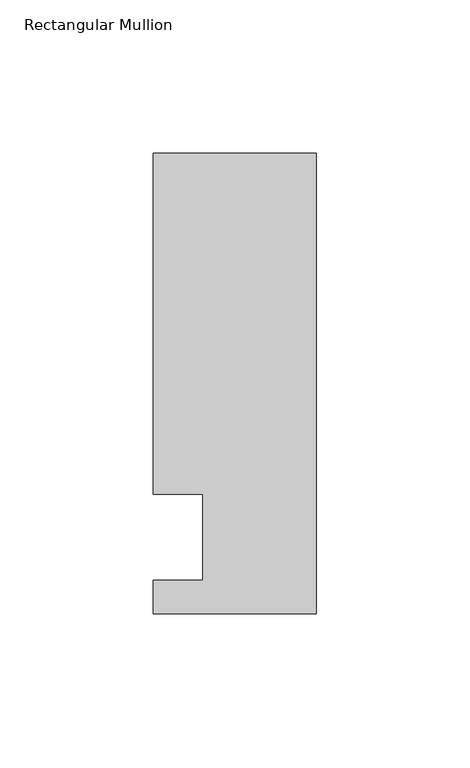
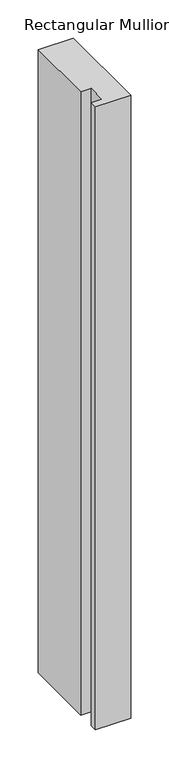
"""IFC4 building model written with IfcOpenShell, lengths in millimetres: member geometry, Rectangular Mullion."""

from ifc_helpers import new_model, si_unit, frame, origin, place, context, project, spatial, polyline, outline, extrude, source, transform, mapped, element, save


def rectangular_mullion_4426674e(model_context):
    return source(origin(), model_context, "Body", "SweptSolid", [
        extrude(outline(polyline([(-37.0, 14.0), (-53.0, 14.0), (-53.0, 125.0), (0.0, 125.0), (0.0, -25.0), (-53.0, -25.0), (-53.0, -14.0), (-37.0, -14.0), (-37.0, 14.0)])), frame((0.0, 0.0, -995.9865328), z_axis=(0.0, 0.0, 1.0), x_axis=(1.0, 0.0, 0.0)), (0.0, 0.0, 1.0), 995.9865328),
    ])


if __name__ == "__main__":
    model = new_model("IFC4")
    model_context = context("Model", 3, world=origin())
    ifc_project = project(units=[si_unit("LENGTHUNIT", "METRE", prefix="MILLI")], contexts=[model_context])
    site = spatial("IfcSite", under=ifc_project)
    building = spatial("IfcBuilding", under=site)
    placement = place(None, origin())
    rectangular_mullion_shape = rectangular_mullion_4426674e(model_context)
    element("IfcMember", 1, ObjectType="Rectangular Mullion", at=placement, inside=building, context=model_context, shape_type="MappedRepresentation", body=[
        mapped(rectangular_mullion_shape, transform((0.0, 0.0, 0.0), x_axis=(1.0, 0.0, 0.0), y_axis=(0.0, 1.0, 0.0), z_axis=(0.0, 0.0, 1.0))),
    ])
    save(model, "model.ifc")
